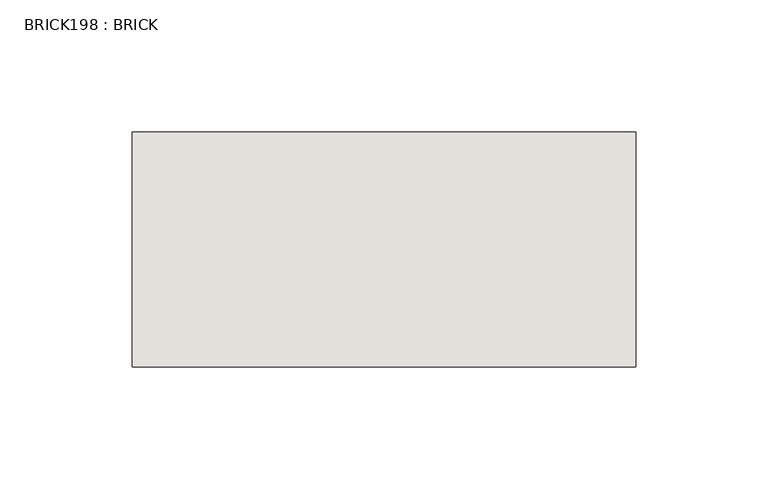
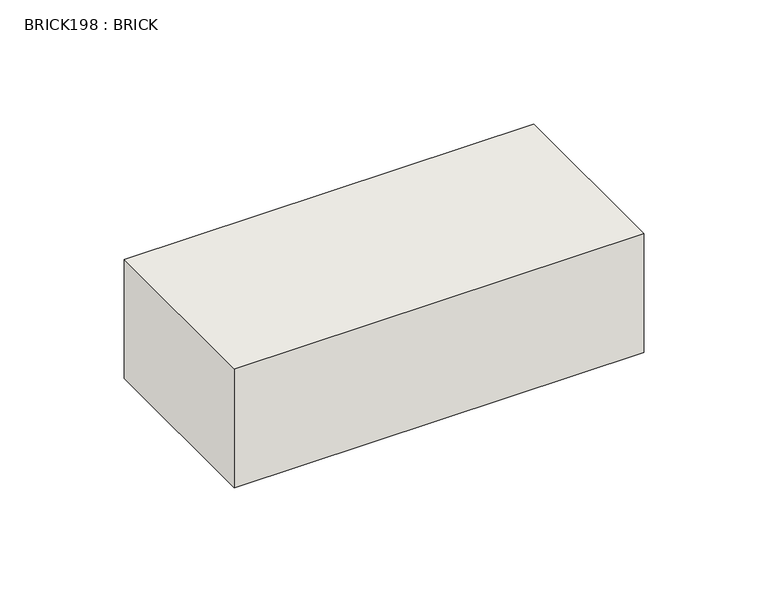
"""IFC4 building model written with IfcOpenShell, lengths in millimetres: wall geometry, BRICK198 : BRICK."""

from ifc_helpers import new_model, si_unit, frame, origin, place, context, project, spatial, polyline, outline, extrude, source, transform, mapped, element, save


def brick198_brick_982d5960(model_context):
    return source(origin(), model_context, "Body", "SweptSolid", [
        extrude(outline(polyline([(-668.2574357, 3062.3923312), (-477.7574357, 3062.3923312), (-477.7574357, 2973.4923312), (-668.2574357, 2973.4923312), (-668.2574357, 3062.3923312)])), frame((0.0, 0.0, 283.5671875), z_axis=(0.0, 0.0, 1.0), x_axis=(1.0, 0.0, 0.0)), (0.0, 0.0, 1.0), 58.4398437),
    ])


if __name__ == "__main__":
    model = new_model("IFC4")
    model_context = context("Model", 3, world=origin())
    ifc_project = project(units=[si_unit("LENGTHUNIT", "METRE", prefix="MILLI")], contexts=[model_context])
    site = spatial("IfcSite", under=ifc_project)
    building = spatial("IfcBuilding", under=site)
    placement = place(None, origin())
    brick198_brick_shape = brick198_brick_982d5960(model_context)
    element("IfcWall", 1, ObjectType="BRICK198 : BRICK", at=placement, inside=building, context=model_context, shape_type="MappedRepresentation", body=[
        mapped(brick198_brick_shape, transform((0.0, 0.0, 0.0), x_axis=(1.0, 0.0, 0.0), y_axis=(0.0, 1.0, 0.0), z_axis=(0.0, 0.0, 1.0))),
    ])
    save(model, "model.ifc")
